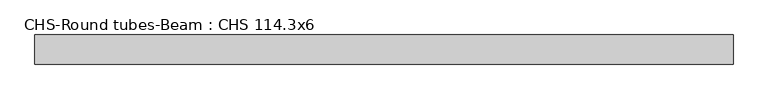
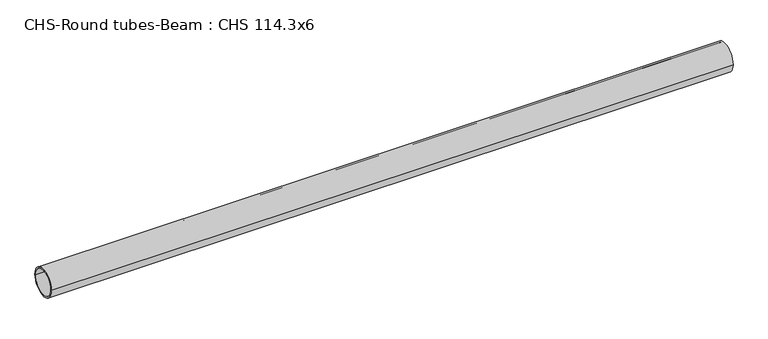
"""IFC4 building model written with IfcOpenShell, lengths in millimetres: beam geometry, CHS-Round tubes-Beam : CHS 114.3x6."""

import ifcopenshell
import ifcopenshell.guid

model = None  # the IFC model being written
_history = None  # IfcOwnerHistory: only IFC2X3 demands one
_inside = {}  # id of a spatial element -> (the spatial element, [elements in it])
_under = {}  # id of a project, library or spatial element -> (it, [spatial elements below it])
_declared = {}  # id of a project -> (the project, [libraries it declares])
_typed = {}  # id of a type object -> (the type object, [elements of that type])
_made_of = {}  # id of a material, layer set ... -> (it, [elements and type objects made of it])


def new_model(schema):
    """Start an empty IFC model of exactly this schema.

    Asked for "IFC4X3", IfcOpenShell would pick the latest addendum, in which some entities
    have other attributes; the version numbers below select the first issue.
    IFC2X3 requires an IfcOwnerHistory on every rooted entity: one is made here for all.
    """
    global model, _history
    if schema == "IFC4X3":
        model = ifcopenshell.file(schema_version=(4, 3, 0, 0))
    else:
        model = ifcopenshell.file(schema=schema)
    _inside.clear()
    _under.clear()
    _declared.clear()
    _typed.clear()
    _made_of.clear()
    _history = None
    if model.schema == "IFC2X3":
        org = make("IfcOrganization", Name="unknown")
        user = make(
            "IfcPersonAndOrganization",
            ThePerson=make("IfcPerson", FamilyName="unknown"),
            TheOrganization=org,
        )
        app = make(
            "IfcApplication",
            ApplicationDeveloper=org,
            Version="unknown",
            ApplicationFullName="unknown",
            ApplicationIdentifier="unknown",
        )
        _history = make(
            "IfcOwnerHistory",
            OwningUser=user,
            OwningApplication=app,
            ChangeAction="ADDED",
            CreationDate=0,
        )
    return model


def make(cls, **values):
    """One entity of the class cls with the attributes given. An attribute that is None is left unset."""
    return model.create_entity(
        cls, **{name: value for name, value in values.items() if value is not None}
    )


def rooted(cls, **values):
    """An entity with a GlobalId (a new one), such as an element, a storey or a relation."""
    return make(cls, GlobalId=ifcopenshell.guid.new(), OwnerHistory=_history, **values)


def si_unit(unit_type, name, prefix=None):
    """IfcSIUnit, for example si_unit("LENGTHUNIT", "METRE", prefix="MILLI")."""
    return make("IfcSIUnit", UnitType=unit_type, Prefix=prefix, Name=name)


def assignment(units):
    """IfcUnitAssignment: the units of a project."""
    return None if units is None else make("IfcUnitAssignment", Units=units)


def point(xyz):
    """IfcCartesianPoint."""
    return None if xyz is None else make("IfcCartesianPoint", Coordinates=xyz)


def direction(xyz):
    """IfcDirection."""
    return None if xyz is None else make("IfcDirection", DirectionRatios=xyz)


def frame(location, z_axis=None, x_axis=None):
    """IfcAxis2Placement3D, a coordinate frame: its origin and axes. An axis left out is left unset."""
    return make(
        "IfcAxis2Placement3D",
        Location=point(location),
        Axis=direction(z_axis),
        RefDirection=direction(x_axis),
    )


def frame_2d(location, x_axis=None):
    """IfcAxis2Placement2D, a coordinate frame in the plane: its origin and x axis."""
    return make(
        "IfcAxis2Placement2D", Location=point(location), RefDirection=direction(x_axis)
    )


def origin():
    """The frame at (0, 0, 0) with its axes left unset."""
    return frame((0.0, 0.0, 0.0))


def origin_2d():
    """The frame at (0, 0) in the plane with its x axis left unset."""
    return frame_2d((0.0, 0.0))


def place(relative_to, where):
    """IfcLocalPlacement: puts the frame where relative to a parent placement (None: the world)."""
    return make(
        "IfcLocalPlacement", PlacementRelTo=relative_to, RelativePlacement=where
    )


def context(
    kind, dimensions, precision=None, world=None, true_north=None, identifier=None
):
    """IfcGeometricRepresentationContext, for example the 3D "Model" context."""
    return make(
        "IfcGeometricRepresentationContext",
        ContextIdentifier=identifier,
        ContextType=kind,
        CoordinateSpaceDimension=dimensions,
        Precision=precision,
        WorldCoordinateSystem=world,
        TrueNorth=true_north,
    )


def project(units=None, contexts=None):
    """IfcProject with its units and contexts."""
    return rooted(
        "IfcProject",
        Name="project",
        RepresentationContexts=contexts,
        UnitsInContext=assignment(units),
    )


def spatial(cls, under=None, at=None, **own):
    """A site, building, storey or space (cls), placed at a placement, below another one or the project."""
    s = rooted(cls, ObjectPlacement=at, **own)
    if under is not None:
        _under.setdefault(under.id(), (under, []))[1].append(s)
    return s


def circle_curve(where, radius):
    """IfcCircle in the frame where."""
    return make("IfcCircle", Position=where, Radius=radius)


def trimmed(basis, trim1, trim2, sense, master):
    """IfcTrimmedCurve: the piece of a basis curve between two trims."""
    return make(
        "IfcTrimmedCurve",
        BasisCurve=basis,
        Trim1=trim1,
        Trim2=trim2,
        SenseAgreement=sense,
        MasterRepresentation=master,
    )


def segment(curve, same_sense, transition):
    """IfcCompositeCurveSegment."""
    return make(
        "IfcCompositeCurveSegment",
        Transition=transition,
        SameSense=same_sense,
        ParentCurve=curve,
    )


def composite_curve(segments, self_intersect=None):
    """IfcCompositeCurve: segments joined end to end."""
    return make("IfcCompositeCurve", Segments=segments, SelfIntersect=self_intersect)


def outline(outer, holes=None, kind="AREA"):
    """IfcArbitraryClosedProfileDef: a profile drawn as a closed curve; with holes, ...WithVoids."""
    if holes is None:
        return make("IfcArbitraryClosedProfileDef", ProfileType=kind, OuterCurve=outer)
    return make(
        "IfcArbitraryProfileDefWithVoids",
        ProfileType=kind,
        OuterCurve=outer,
        InnerCurves=holes,
    )


def extrude(swept, where, along, depth):
    """IfcExtrudedAreaSolid: the profile swept, set in the frame where, extruded along a direction by depth."""
    return make(
        "IfcExtrudedAreaSolid",
        SweptArea=swept,
        Position=where,
        ExtrudedDirection=direction(along),
        Depth=depth,
    )


def shape(context_of_items, identifier, shape_type, items):
    """IfcShapeRepresentation: the items that make up one representation, for example the "Body"."""
    return make(
        "IfcShapeRepresentation",
        ContextOfItems=context_of_items,
        RepresentationIdentifier=identifier,
        RepresentationType=shape_type,
        Items=items,
    )


def source(mapping_origin, context_of_items, identifier, shape_type, items):
    """IfcRepresentationMap: a shape defined once, which mapped items show again and again."""
    return make(
        "IfcRepresentationMap",
        MappingOrigin=mapping_origin,
        MappedRepresentation=shape(context_of_items, identifier, shape_type, items),
    )


def transform(
    local_origin,
    x_axis=None,
    y_axis=None,
    z_axis=None,
    scale=None,
    scale2=None,
    scale3=None,
    uniform=True,
):
    """IfcCartesianTransformationOperator3D, or its non-uniform kind. x_axis, y_axis, z_axis: its Axis1, 2, 3."""
    if uniform:
        return make(
            "IfcCartesianTransformationOperator3D",
            Axis1=direction(x_axis),
            Axis2=direction(y_axis),
            LocalOrigin=point(local_origin),
            Scale=scale,
            Axis3=direction(z_axis),
        )
    return make(
        "IfcCartesianTransformationOperator3DnonUniform",
        Axis1=direction(x_axis),
        Axis2=direction(y_axis),
        LocalOrigin=point(local_origin),
        Scale=scale,
        Axis3=direction(z_axis),
        Scale2=scale2,
        Scale3=scale3,
    )


def mapped(mapping_source, mapping_target):
    """IfcMappedItem: shows the shape of a source again, moved by a transform."""
    return make(
        "IfcMappedItem", MappingSource=mapping_source, MappingTarget=mapping_target
    )


def made_of(thing, what):
    """Note that an element or type object is made of a material, layer set ...; save() writes the relation."""
    if what is not None:
        _made_of.setdefault(what.id(), (what, []))[1].append(thing)
    return thing


def element(
    cls,
    number,
    at=None,
    inside=None,
    cuts=None,
    type_object=None,
    material=None,
    context=None,
    identifier="Body",
    shape_type=None,
    held_by="IfcProductDefinitionShape",
    body=None,
    shapes=None,
    **own,
):
    """One element of the class cls, such as IfcWall. Its Tag is "e" and its number.

    at: its placement. inside: the storey or other place that contains it. cuts: it is an
    opening in that element (IfcRelVoidsElement). A single representation is given by context,
    identifier, shape_type and body (its items); several are given by shapes. held_by: the class
    of the entity that holds the representations. save() writes the other relations.
    """
    e = rooted(cls, Tag="e%d" % number, ObjectPlacement=at, **own)
    if body is not None:
        shapes = [shape(context, identifier, shape_type, body)]
    if shapes is not None:
        e.Representation = make(held_by, Representations=shapes)
    if inside is not None:
        _inside.setdefault(inside.id(), (inside, []))[1].append(e)
    if cuts is not None:
        rooted(
            "IfcRelVoidsElement", RelatingBuildingElement=cuts, RelatedOpeningElement=e
        )
    if type_object is not None:
        _typed.setdefault(type_object.id(), (type_object, []))[1].append(e)
    return made_of(e, material)


def aggregate(whole, parts):
    """IfcRelAggregates: a whole, such as a stair, and the parts it consists of."""
    return rooted("IfcRelAggregates", RelatingObject=whole, RelatedObjects=parts)


def save(model, path):
    """Write the relations noted so far, then the file.

    IfcRelAggregates (storeys below a building ...), IfcRelContainedInSpatialStructure (elements
    in a storey), IfcRelDefinesByType, IfcRelAssociatesMaterial and IfcRelDeclares: one each for
    every whole, place, type object, material and project.
    """
    for whole, parts in _under.values():
        aggregate(whole, parts)
    for where, things in _inside.values():
        rooted(
            "IfcRelContainedInSpatialStructure",
            RelatedElements=things,
            RelatingStructure=where,
        )
    for kind, things in _typed.values():
        rooted("IfcRelDefinesByType", RelatedObjects=things, RelatingType=kind)
    for what, things in _made_of.values():
        rooted("IfcRelAssociatesMaterial", RelatedObjects=things, RelatingMaterial=what)
    for by, libraries in _declared.values():
        rooted("IfcRelDeclares", RelatingContext=by, RelatedDefinitions=libraries)
    model.write(path)


def chs_round_tubes_beam_chs_114_3x6_c2c2a673(model_context):
    return source(origin(), model_context, "Body", "SweptSolid", [
        extrude(outline(composite_curve([segment(trimmed(circle_curve(origin_2d(), 57.15), [point((57.15, 0.0))], [point((-57.15, 0.0))], False, "CARTESIAN"), True, "CONTINUOUS"), segment(trimmed(circle_curve(origin_2d(), 57.15), [point((-57.15, 0.0))], [point((57.15, 0.0))], False, "CARTESIAN"), True, "CONTINUOUS")], self_intersect=False), holes=[composite_curve([segment(trimmed(circle_curve(origin_2d(), 51.15), [point((51.15, 0.0))], [point((-51.15, 0.0))], True, "CARTESIAN"), True, "CONTINUOUS"), segment(trimmed(circle_curve(origin_2d(), 51.15), [point((-51.15, 0.0))], [point((51.15, 0.0))], True, "CARTESIAN"), True, "CONTINUOUS")], self_intersect=False)]), frame((-1322.2982258, 0.0, 0.0), z_axis=(1.0, 0.0, 0.0), x_axis=(0.0, 1.0, 0.0)), (0.0, 0.0, 1.0), 2739.0716049),
    ])


if __name__ == "__main__":
    model = new_model("IFC4")
    model_context = context("Model", 3, world=origin())
    ifc_project = project(units=[si_unit("LENGTHUNIT", "METRE", prefix="MILLI")], contexts=[model_context])
    site = spatial("IfcSite", under=ifc_project)
    building = spatial("IfcBuilding", under=site)
    placement = place(None, origin())
    chs_round_tubes_beam_chs_114_3x6_shape = chs_round_tubes_beam_chs_114_3x6_c2c2a673(model_context)
    element("IfcBeam", 1, ObjectType="CHS-Round tubes-Beam : CHS 114.3x6", at=placement, inside=building, context=model_context, shape_type="MappedRepresentation", body=[
        mapped(chs_round_tubes_beam_chs_114_3x6_shape, transform((0.0, 0.0, 0.0), x_axis=(1.0, 0.0, 0.0), y_axis=(0.0, 1.0, 0.0), z_axis=(0.0, 0.0, 1.0))),
    ])
    save(model, "model.ifc")
